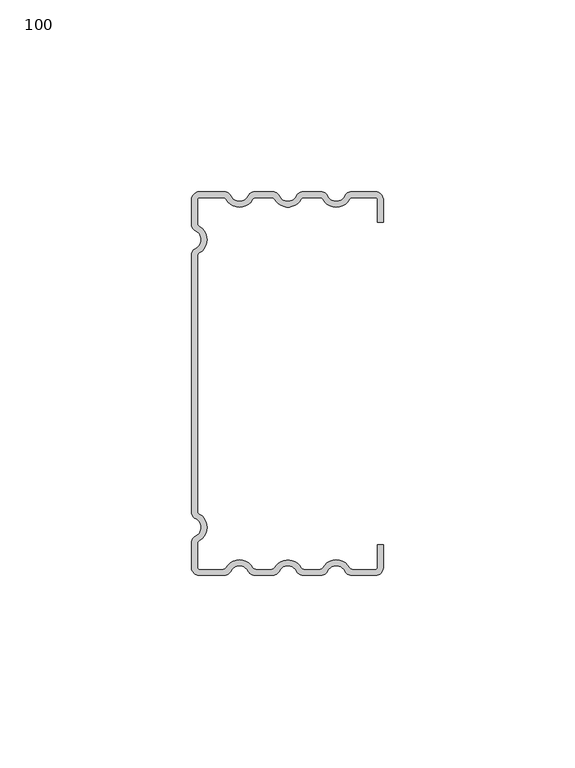
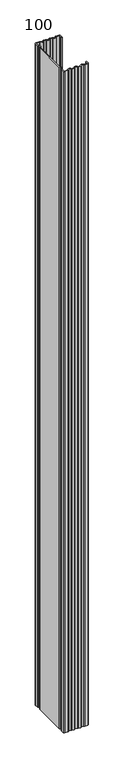
"""IFC4 building model written with IfcOpenShell, lengths in millimetres: proxy geometry, 100."""

from ifc_helpers import new_model, si_unit, point, frame_2d, origin, origin_with_axes, place, context, project, spatial, polyline, circle_curve, trimmed, segment, composite_curve, outline, extrude, source, transform, mapped, element, save


def proxy_100_d0062146(model_context):
    return source(origin(), model_context, "Body", "SweptSolid", [
        extrude(outline(composite_curve([segment(polyline([(50.0, 42.0), (48.5, 42.0), (48.5, 48.0)]), True, "CONTINUOUS"), segment(trimmed(circle_curve(frame_2d((48.0, 48.0)), 0.5), [point((48.5, 48.0))], [point((48.0, 48.5))], True, "CARTESIAN"), True, "CONTINUOUS"), segment(polyline([(48.0, 48.5), (42.0640787, 48.5)]), True, "CONTINUOUS"), segment(trimmed(circle_curve(frame_2d((42.0640787, 47.5)), 1.0), [point((42.0640787, 48.5))], [point((41.1980533, 48.0))], True, "CARTESIAN"), True, "CONTINUOUS"), segment(trimmed(circle_curve(frame_2d((37.7339517, 50.0)), 4.0), [point((41.1980533, 48.0))], [point((34.2698501, 48.0))], False, "CARTESIAN"), True, "CONTINUOUS"), segment(trimmed(circle_curve(frame_2d((33.4038247, 47.5)), 1.0), [point((34.2698501, 48.0))], [point((33.4038247, 48.5))], True, "CARTESIAN"), True, "CONTINUOUS"), segment(polyline([(33.4038247, 48.5), (29.4471029, 48.5)]), True, "CONTINUOUS"), segment(trimmed(circle_curve(frame_2d((29.4471029, 47.5)), 1.0), [point((29.4471029, 48.5))], [point((28.5810775, 48.0))], True, "CARTESIAN"), True, "CONTINUOUS"), segment(trimmed(circle_curve(frame_2d((25.1169759, 50.0)), 4.0), [point((28.5810775, 48.0))], [point((21.6528742, 48.0))], False, "CARTESIAN"), True, "CONTINUOUS"), segment(trimmed(circle_curve(frame_2d((20.7868488, 47.5)), 1.0), [point((21.6528742, 48.0))], [point((20.7868488, 48.5))], True, "CARTESIAN"), True, "CONTINUOUS"), segment(polyline([(20.7868488, 48.5), (16.830127, 48.5)]), True, "CONTINUOUS"), segment(trimmed(circle_curve(frame_2d((16.830127, 47.5)), 1.0), [point((16.830127, 48.5))], [point((15.9641016, 48.0))], True, "CARTESIAN"), True, "CONTINUOUS"), segment(trimmed(circle_curve(frame_2d((12.5, 50.0)), 4.0), [point((15.9641016, 48.0))], [point((9.0358984, 48.0))], False, "CARTESIAN"), True, "CONTINUOUS"), segment(trimmed(circle_curve(frame_2d((8.169873, 47.5)), 1.0), [point((9.0358984, 48.0))], [point((8.169873, 48.5))], True, "CARTESIAN"), True, "CONTINUOUS"), segment(polyline([(8.169873, 48.5), (2.0, 48.5)]), True, "CONTINUOUS"), segment(trimmed(circle_curve(frame_2d((2.0, 48.0)), 0.5), [point((2.0, 48.5))], [point((1.5, 48.0))], True, "CARTESIAN"), True, "CONTINUOUS"), segment(polyline([(1.5, 48.0), (1.5, 41.830127)]), True, "CONTINUOUS"), segment(trimmed(circle_curve(frame_2d((2.5, 41.830127)), 1.0), [point((1.5, 41.830127))], [point((2.0, 40.9641016))], True, "CARTESIAN"), True, "CONTINUOUS"), segment(trimmed(circle_curve(frame_2d((0.0, 37.5)), 4.0), [point((2.0, 40.9641016))], [point((2.0, 34.0358984))], False, "CARTESIAN"), True, "CONTINUOUS"), segment(trimmed(circle_curve(frame_2d((2.5, 33.169873)), 1.0), [point((2.0, 34.0358984))], [point((1.5, 33.169873))], True, "CARTESIAN"), True, "CONTINUOUS"), segment(polyline([(1.5, 33.169873), (1.5, -33.169873)]), True, "CONTINUOUS"), segment(trimmed(circle_curve(frame_2d((2.5, -33.169873)), 1.0), [point((1.5, -33.169873))], [point((2.0, -34.0358984))], True, "CARTESIAN"), True, "CONTINUOUS"), segment(trimmed(circle_curve(frame_2d((0.0, -37.5)), 4.0), [point((2.0, -34.0358984))], [point((2.0, -40.9641016))], False, "CARTESIAN"), True, "CONTINUOUS"), segment(trimmed(circle_curve(frame_2d((2.5, -41.830127)), 1.0), [point((2.0, -40.9641016))], [point((1.5, -41.830127))], True, "CARTESIAN"), True, "CONTINUOUS"), segment(polyline([(1.5, -41.830127), (1.5, -48.0)]), True, "CONTINUOUS"), segment(trimmed(circle_curve(frame_2d((2.0, -48.0)), 0.5), [point((1.5, -48.0))], [point((2.0, -48.5))], True, "CARTESIAN"), True, "CONTINUOUS"), segment(polyline([(2.0, -48.5), (8.169873, -48.5)]), True, "CONTINUOUS"), segment(trimmed(circle_curve(frame_2d((8.169873, -47.5)), 1.0), [point((8.169873, -48.5))], [point((9.0358984, -48.0))], True, "CARTESIAN"), True, "CONTINUOUS"), segment(trimmed(circle_curve(frame_2d((12.5, -50.0)), 4.0), [point((9.0358984, -48.0))], [point((15.9641016, -48.0))], False, "CARTESIAN"), True, "CONTINUOUS"), segment(trimmed(circle_curve(frame_2d((16.830127, -47.5)), 1.0), [point((15.9641016, -48.0))], [point((16.830127, -48.5))], True, "CARTESIAN"), True, "CONTINUOUS"), segment(polyline([(16.830127, -48.5), (20.7868488, -48.5)]), True, "CONTINUOUS"), segment(trimmed(circle_curve(frame_2d((20.7868488, -47.5)), 1.0), [point((20.7868488, -48.5))], [point((21.6528742, -48.0))], True, "CARTESIAN"), True, "CONTINUOUS"), segment(trimmed(circle_curve(frame_2d((25.1169759, -50.0)), 4.0), [point((21.6528742, -48.0))], [point((28.5810775, -48.0))], False, "CARTESIAN"), True, "CONTINUOUS"), segment(trimmed(circle_curve(frame_2d((29.4471029, -47.5)), 1.0), [point((28.5810775, -48.0))], [point((29.4471029, -48.5))], True, "CARTESIAN"), True, "CONTINUOUS"), segment(polyline([(29.4471029, -48.5), (33.4038247, -48.5)]), True, "CONTINUOUS"), segment(trimmed(circle_curve(frame_2d((33.4038247, -47.5)), 1.0), [point((33.4038247, -48.5))], [point((34.2698501, -48.0))], True, "CARTESIAN"), True, "CONTINUOUS"), segment(trimmed(circle_curve(frame_2d((37.7339517, -50.0)), 4.0), [point((34.2698501, -48.0))], [point((41.1980533, -48.0))], False, "CARTESIAN"), True, "CONTINUOUS"), segment(trimmed(circle_curve(frame_2d((42.0640787, -47.5)), 1.0), [point((41.1980533, -48.0))], [point((42.0640787, -48.5))], True, "CARTESIAN"), True, "CONTINUOUS"), segment(polyline([(42.0640787, -48.5), (48.0, -48.5)]), True, "CONTINUOUS"), segment(trimmed(circle_curve(frame_2d((48.0, -48.0)), 0.5), [point((48.0, -48.5))], [point((48.5, -48.0))], True, "CARTESIAN"), True, "CONTINUOUS"), segment(polyline([(48.5, -48.0), (48.5, -42.0), (50.0, -42.0), (50.0, -48.0)]), True, "CONTINUOUS"), segment(trimmed(circle_curve(frame_2d((48.0, -48.0)), 2.0), [point((50.0, -48.0))], [point((48.0, -50.0))], False, "CARTESIAN"), True, "CONTINUOUS"), segment(polyline([(48.0, -50.0), (41.7650806, -50.0)]), True, "CONTINUOUS"), segment(trimmed(circle_curve(frame_2d((41.7650806, -48.0)), 2.0), [point((41.7650806, -50.0))], [point((39.9734678, -48.8888889))], False, "CARTESIAN"), True, "CONTINUOUS"), segment(trimmed(circle_curve(frame_2d((37.7339517, -50.0)), 2.5), [point((39.9734678, -48.8888889))], [point((35.4944357, -48.8888889))], True, "CARTESIAN"), True, "CONTINUOUS"), segment(trimmed(circle_curve(frame_2d((33.7028228, -48.0)), 2.0), [point((35.4944357, -48.8888889))], [point((33.7028228, -50.0))], False, "CARTESIAN"), True, "CONTINUOUS"), segment(polyline([(33.7028228, -50.0), (29.1481047, -50.0)]), True, "CONTINUOUS"), segment(trimmed(circle_curve(frame_2d((29.1481047, -48.0)), 2.0), [point((29.1481047, -50.0))], [point((27.3564919, -48.8888889))], False, "CARTESIAN"), True, "CONTINUOUS"), segment(trimmed(circle_curve(frame_2d((25.1169759, -50.0)), 2.5), [point((27.3564919, -48.8888889))], [point((22.8774598, -48.8888889))], True, "CARTESIAN"), True, "CONTINUOUS"), segment(trimmed(circle_curve(frame_2d((21.085847, -48.0)), 2.0), [point((22.8774598, -48.8888889))], [point((21.085847, -50.0))], False, "CARTESIAN"), True, "CONTINUOUS"), segment(polyline([(21.085847, -50.0), (16.5311289, -50.0)]), True, "CONTINUOUS"), segment(trimmed(circle_curve(frame_2d((16.5311289, -48.0)), 2.0), [point((16.5311289, -50.0))], [point((14.739516, -48.8888889))], False, "CARTESIAN"), True, "CONTINUOUS"), segment(trimmed(circle_curve(frame_2d((12.5, -50.0)), 2.5), [point((14.739516, -48.8888889))], [point((10.260484, -48.8888889))], True, "CARTESIAN"), True, "CONTINUOUS"), segment(trimmed(circle_curve(frame_2d((8.4688711, -48.0)), 2.0), [point((10.260484, -48.8888889))], [point((8.4688711, -50.0))], False, "CARTESIAN"), True, "CONTINUOUS"), segment(polyline([(8.4688711, -50.0), (2.0, -50.0)]), True, "CONTINUOUS"), segment(trimmed(circle_curve(frame_2d((2.0, -48.0)), 2.0), [point((2.0, -50.0))], [point((0.0, -48.0))], False, "CARTESIAN"), True, "CONTINUOUS"), segment(polyline([(0.0, -48.0), (0.0, -41.5311289)]), True, "CONTINUOUS"), segment(trimmed(circle_curve(frame_2d((2.0, -41.5311289)), 2.0), [point((0.0, -41.5311289))], [point((1.1111111, -39.739516))], False, "CARTESIAN"), True, "CONTINUOUS"), segment(trimmed(circle_curve(frame_2d((0.0, -37.5)), 2.5), [point((1.1111111, -39.739516))], [point((1.1111111, -35.260484))], True, "CARTESIAN"), True, "CONTINUOUS"), segment(trimmed(circle_curve(frame_2d((2.0, -33.4688711)), 2.0), [point((1.1111111, -35.260484))], [point((0.0, -33.4688711))], False, "CARTESIAN"), True, "CONTINUOUS"), segment(polyline([(0.0, -33.4688711), (0.0, 33.4688711)]), True, "CONTINUOUS"), segment(trimmed(circle_curve(frame_2d((2.0, 33.4688711)), 2.0), [point((0.0, 33.4688711))], [point((1.1111111, 35.260484))], False, "CARTESIAN"), True, "CONTINUOUS"), segment(trimmed(circle_curve(frame_2d((0.0, 37.5)), 2.5), [point((1.1111111, 35.260484))], [point((1.1111111, 39.739516))], True, "CARTESIAN"), True, "CONTINUOUS"), segment(trimmed(circle_curve(frame_2d((2.0, 41.5311289)), 2.0), [point((1.1111111, 39.739516))], [point((0.0, 41.5311289))], False, "CARTESIAN"), True, "CONTINUOUS"), segment(polyline([(0.0, 41.5311289), (0.0, 48.0)]), True, "CONTINUOUS"), segment(trimmed(circle_curve(frame_2d((2.0, 48.0)), 2.0), [point((0.0, 48.0))], [point((2.0, 50.0))], False, "CARTESIAN"), True, "CONTINUOUS"), segment(polyline([(2.0, 50.0), (8.4688711, 50.0)]), True, "CONTINUOUS"), segment(trimmed(circle_curve(frame_2d((8.4688711, 48.0)), 2.0), [point((8.4688711, 50.0))], [point((10.260484, 48.8888889))], False, "CARTESIAN"), True, "CONTINUOUS"), segment(trimmed(circle_curve(frame_2d((12.5, 50.0)), 2.5), [point((10.260484, 48.8888889))], [point((14.739516, 48.8888889))], True, "CARTESIAN"), True, "CONTINUOUS"), segment(trimmed(circle_curve(frame_2d((16.5311289, 48.0)), 2.0), [point((14.739516, 48.8888889))], [point((16.5311289, 50.0))], False, "CARTESIAN"), True, "CONTINUOUS"), segment(polyline([(16.5311289, 50.0), (21.085847, 50.0)]), True, "CONTINUOUS"), segment(trimmed(circle_curve(frame_2d((21.085847, 48.0)), 2.0), [point((21.085847, 50.0))], [point((22.8774598, 48.8888889))], False, "CARTESIAN"), True, "CONTINUOUS"), segment(trimmed(circle_curve(frame_2d((25.1169759, 50.0)), 2.5), [point((22.8774598, 48.8888889))], [point((27.3564919, 48.8888889))], True, "CARTESIAN"), True, "CONTINUOUS"), segment(trimmed(circle_curve(frame_2d((29.1481047, 48.0)), 2.0), [point((27.3564919, 48.8888889))], [point((29.1481047, 50.0))], False, "CARTESIAN"), True, "CONTINUOUS"), segment(polyline([(29.1481047, 50.0), (33.7028228, 50.0)]), True, "CONTINUOUS"), segment(trimmed(circle_curve(frame_2d((33.7028228, 48.0)), 2.0), [point((33.7028228, 50.0))], [point((35.4944357, 48.8888889))], False, "CARTESIAN"), True, "CONTINUOUS"), segment(trimmed(circle_curve(frame_2d((37.7339517, 50.0)), 2.5), [point((35.4944357, 48.8888889))], [point((39.9734678, 48.8888889))], True, "CARTESIAN"), True, "CONTINUOUS"), segment(trimmed(circle_curve(frame_2d((41.7650806, 48.0)), 2.0), [point((39.9734678, 48.8888889))], [point((41.7650806, 50.0))], False, "CARTESIAN"), True, "CONTINUOUS"), segment(polyline([(41.7650806, 50.0), (48.0, 50.0)]), True, "CONTINUOUS"), segment(trimmed(circle_curve(frame_2d((48.0, 48.0)), 2.0), [point((48.0, 50.0))], [point((50.0, 48.0))], False, "CARTESIAN"), True, "CONTINUOUS"), segment(polyline([(50.0, 48.0), (50.0, 42.0)]), True, "CONTINUOUS")], self_intersect=False)), origin_with_axes(), (0.0, 0.0, 1.0), 1400.0),
    ])


if __name__ == "__main__":
    model = new_model("IFC4")
    model_context = context("Model", 3, world=origin())
    ifc_project = project(units=[si_unit("LENGTHUNIT", "METRE", prefix="MILLI")], contexts=[model_context])
    site = spatial("IfcSite", under=ifc_project)
    building = spatial("IfcBuilding", under=site)
    placement = place(None, origin())
    proxy_100_shape = proxy_100_d0062146(model_context)
    element("IfcBuildingElementProxy", 1, Name="100", ObjectType="100", at=placement, inside=building, context=model_context, shape_type="MappedRepresentation", body=[
        mapped(proxy_100_shape, transform((0.0, 0.0, 0.0), x_axis=(1.0, 0.0, 0.0), y_axis=(0.0, 1.0, 0.0), z_axis=(0.0, 0.0, 1.0))),
    ])
    save(model, "model.ifc")
